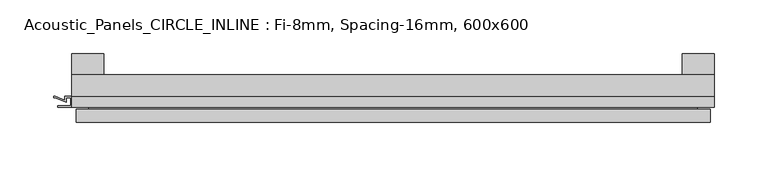
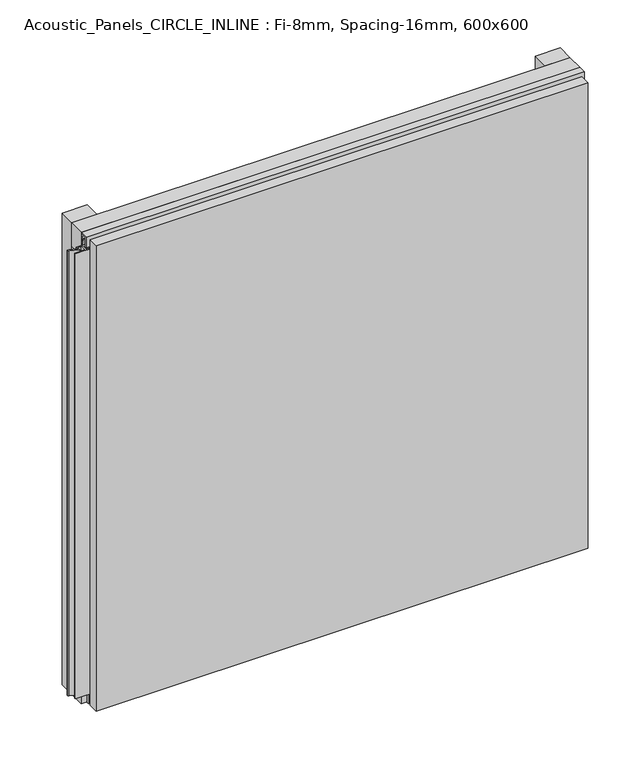
"""IFC4 building model written with IfcOpenShell, lengths in millimetres: plate geometry, Acoustic_Panels_CIRCLE_INLINE : Fi-8mm, Spacing-16mm, 600x600."""

from ifc_helpers import new_model, si_unit, frame, origin, origin_with_axes, place, context, project, spatial, polyline, outline, extrude, faceted_brep, source, transform, mapped, element, save


def acoustic_panels_circle_inline_fi_8mm_spacing_16mm_600x600_ff6efb81(model_context):
    return source(origin(), model_context, "Body", "SolidModel", [
        extrude(outline(polyline([(-300.0, -40.0), (-300.0, -20.0), (300.0, -20.0), (300.0, -40.0), (-300.0, -40.0)])), frame((0.0, 0.0, 570.0), z_axis=(0.0, 0.0, 1.0), x_axis=(1.0, 0.0, 0.0)), (0.0, 0.0, 1.0), 30.0),
        extrude(outline(polyline([(-300.0, -40.0), (-300.0, -20.0), (300.0, -20.0), (300.0, -40.0), (-300.0, -40.0)])), origin_with_axes(), (0.0, 0.0, 1.0), 30.0),
        extrude(outline(polyline([(270.0, 0.0), (300.0, 0.0), (300.0, -20.0), (270.0, -20.0), (270.0, 0.0)])), origin_with_axes(), (0.0, 0.0, 1.0), 600.0),
        extrude(outline(polyline([(-270.0, 0.0), (-270.0, -20.0), (-300.0, -20.0), (-300.0, 0.0), (-270.0, 0.0)])), origin_with_axes(), (0.0, 0.0, 1.0), 600.0),
        extrude(outline(polyline([(-40.0, 593.700916), (-43.5, 593.700916), (-40.0553267, 584.6441401), (-40.0553267, 577.008452), (-41.4553267, 577.008452), (-41.4553267, 584.4296606), (-45.5140545, 595.100916), (-41.4, 595.100916), (-41.4, 598.5843193), (-48.7, 598.5843193), (-48.7, 586.5843193), (-50.1, 586.5843193), (-50.1, 600.0), (-40.0, 600.0), (-40.0, 593.700916)])), frame((-300.0, 0.0, 0.0), z_axis=(1.0, 0.0, 0.0), x_axis=(0.0, 1.0, 0.0)), (0.0, 0.0, 1.0), 600.0),
        extrude(outline(polyline([(293.700916, -40.0), (300.0, -40.0), (300.0, -50.1), (286.5843193, -50.1), (286.5843193, -48.7), (298.5843193, -48.7), (298.5843193, -41.4), (295.100916, -41.4), (295.100916, -45.5140545), (284.4296606, -41.4553267), (277.008452, -41.4553267), (277.008452, -40.0553267), (284.6441401, -40.0553267), (293.700916, -43.5), (293.700916, -40.0)])), frame((0.0, 0.0, 16.9558599), z_axis=(0.0, 0.0, 1.0), x_axis=(1.0, 0.0, 0.0)), (0.0, 0.0, 1.0), 566.0882802),
        extrude(outline(polyline([(-300.899084, -48.7), (-300.899084, -41.4), (-304.899084, -41.4), (-304.899084, -45.5140545), (-315.5703394, -41.4553267), (-316.9558599, -41.4553267), (-316.9558599, -40.0553267), (-315.3558599, -40.0553267), (-306.299084, -43.5), (-306.299084, -40.0), (-293.700916, -40.0), (-293.700916, -43.5), (-284.6441401, -40.0553267), (-283.0441401, -40.0553267), (-283.0441401, -41.4553267), (-284.4296606, -41.4553267), (-295.100916, -45.5140545), (-295.100916, -41.4), (-299.100916, -41.4), (-299.100916, -48.7), (-287.100916, -48.7), (-287.100916, -50.1), (-312.899084, -50.1), (-312.899084, -48.7), (-300.899084, -48.7)])), frame((0.0, 0.0, 16.9558599), z_axis=(0.0, 0.0, 1.0), x_axis=(1.0, 0.0, 0.0)), (0.0, 0.0, 1.0), 566.0882802),
        faceted_brep([(296.0, -45.9, 596.0), (-296.0, -45.9, 596.0), (-296.0, -48.7, 596.0), (296.0, -48.7, 596.0), (-296.0, -63.9, 596.0), (296.0, -63.9, 596.0), (296.0, -51.9, 596.0), (-296.0, -51.9, 596.0), (-296.0, -45.9, 4.0), (296.0, -45.9, 4.0), (296.0, -48.7, 4.0), (-296.0, -48.7, 4.0), (296.0, -63.9, 4.0), (-296.0, -63.9, 4.0), (-296.0, -51.9, 4.0), (296.0, -51.9, 4.0), (284.0, -51.9, 584.0), (284.0, -51.9, 16.0), (284.0, -48.7, 16.0), (284.0, -48.7, 584.0), (-284.0, -51.9, 16.0), (-284.0, -48.7, 16.0), (-284.0, -51.9, 584.0), (-284.0, -48.7, 584.0)], [[[0, 1, 2, 3]], [[4, 5, 6, 7]], [[8, 9, 10, 11]], [[12, 13, 14, 15]], [[1, 0, 9, 8]], [[1, 8, 11, 2]], [[13, 4, 7, 14]], [[5, 4, 13, 12]], [[9, 0, 3, 10]], [[5, 12, 15, 6]], [[16, 17, 18, 19]], [[18, 17, 20, 21]], [[21, 20, 22, 23]], [[16, 19, 23, 22]], [[7, 6, 15, 14], [17, 16, 22, 20]], [[3, 2, 11, 10], [19, 18, 21, 23]]]),
    ])


if __name__ == "__main__":
    model = new_model("IFC4")
    model_context = context("Model", 3, world=origin())
    ifc_project = project(units=[si_unit("LENGTHUNIT", "METRE", prefix="MILLI")], contexts=[model_context])
    site = spatial("IfcSite", under=ifc_project)
    building = spatial("IfcBuilding", under=site)
    placement = place(None, origin())
    acoustic_panels_circle_inline_fi_8mm_spacing_16mm_600x600_shape = acoustic_panels_circle_inline_fi_8mm_spacing_16mm_600x600_ff6efb81(model_context)
    element("IfcPlate", 1, ObjectType="Acoustic_Panels_CIRCLE_INLINE : Fi-8mm, Spacing-16mm, 600x600", at=placement, inside=building, context=model_context, shape_type="MappedRepresentation", body=[
        mapped(acoustic_panels_circle_inline_fi_8mm_spacing_16mm_600x600_shape, transform((0.0, 0.0, 0.0), x_axis=(1.0, 0.0, 0.0), y_axis=(0.0, 1.0, 0.0), z_axis=(0.0, 0.0, 1.0))),
    ])
    save(model, "model.ifc")
